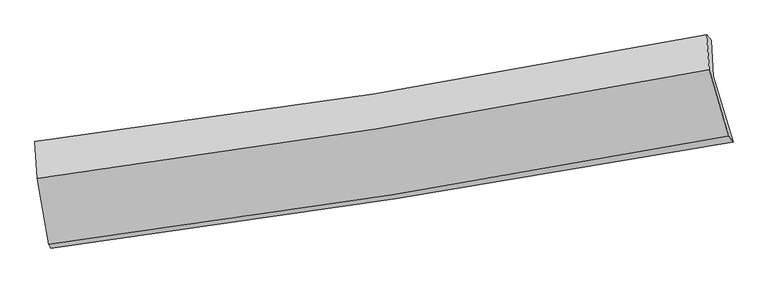
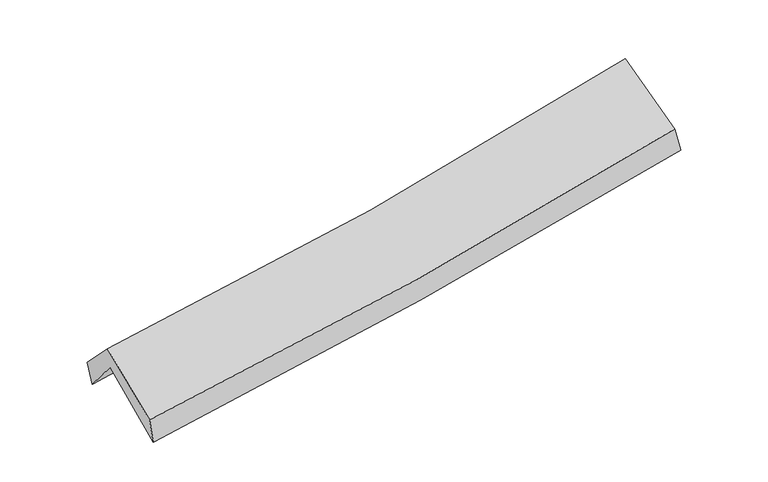
"""IFC4 building model written with IfcOpenShell, lengths in millimetres: proxy geometry."""

from ifc_helpers import new_model, si_unit, frame, origin, place, context, project, spatial, source, transform, mapped, element, save
from ifc_brep_helpers import plane_surface, spline_curve, spline_surface, advanced_brep


def generic_models_16f1275d(model_context):
    return source(origin(), model_context, "Body", "AdvancedBrep", [
        advanced_brep(
        [(-2476.6306692, -2477.684521, 1473.7367407), (-2566.5541531, -1976.0532328, 1902.8783723), (2492.5433742, -1185.3222282, 2359.6302628), (2642.7637638, -1679.5159708, 1927.6807771), (-2578.57545, -1720.2456648, 1591.1274063), (2477.8919343, -914.6438662, 2050.5178617), (-2595.9104184, -1675.146864, 1774.7712805), (2445.0462039, -874.5609098, 2252.2768599), (-2579.7545848, -1954.1831352, 2067.1127175), (2463.4779958, -1135.9481738, 2516.216118), (-2492.6639221, -2449.7956604, 1670.6238429), (2612.0491716, -1636.6335082, 2107.8232929)],
        [
            (0, 1),
            (1, 2, spline_curve(3, [(-2566.5541531, -1976.0532328, 1902.8783723), (-1716.050181703, -1864.59425215, 1963.847273038), (-867.75522831, -1742.706482177, 2032.552799847), (818.580243134, -1478.986098593, 2184.909798403), (1656.651131938, -1337.296867185, 2268.454901637), (2492.5433742, -1185.3222282, 2359.6302628)], [4, 2, 4], [0.0, 8.513095673427554, 16.96746701285062])),
            (2, 3),
            (3, 0, spline_curve(3, [(2642.7637638, -1679.5159708, 1927.6807771), (1797.510977988, -1832.421949813, 1835.038955347), (949.753597722, -1975.193975794, 1750.990454897), (-756.67629842, -2241.391429706, 1599.555982613), (-1615.383729239, -2364.675587128, 1532.289804229), (-2476.6306692, -2477.684521, 1473.7367407)], [4, 2, 4], [0.0, 8.454371339423066, 16.96746701285062])),
            (1, 4),
            (4, 5, spline_curve(3, [(-2578.57545, -1720.2456648, 1591.1274063), (-1728.95535664, -1605.874532304, 1658.650482821), (-881.321510951, -1481.287900276, 1730.843160518), (804.140308879, -1212.613517864, 1884.037513253), (1641.995591161, -1068.666217036, 1964.974987308), (2477.8919343, -914.6438662, 2050.5178617)], [4, 2, 4], [0.0, 8.463276387706408, 16.868172100693595])),
            (5, 2),
            (4, 6),
            (6, 7, spline_curve(3, [(-2595.9104184, -1675.146864, 1774.7712805), (-1746.090475595, -1571.045542276, 1831.982825689), (-899.658576888, -1451.99692886, 1900.557642991), (780.613716147, -1184.929439231, 2059.882399079), (1614.500691517, -1037.116067779, 2150.476108211), (2445.0462039, -874.5609098, 2252.2768599)], [4, 2, 4], [0.0, 8.451940733696203, 16.84557898734617])),
            (7, 5),
            (6, 8),
            (8, 9, spline_curve(3, [(-2579.7545848, -1954.1831352, 2067.1127175), (-1729.462296853, -1843.966163195, 2112.60707487), (-882.604064666, -1720.389359166, 2172.960315051), (798.42624862, -1447.460692434, 2322.865738092), (1632.645543435, -1298.292509094, 2412.213631581), (2463.4779958, -1135.9481738, 2516.216118)], [4, 2, 4], [0.0, 8.44315505692036, 16.828068238424954])),
            (9, 7),
            (8, 10),
            (10, 11, spline_curve(3, [(-2492.6639221, -2449.7956604, 1670.6238429), (-1632.775550826, -2337.244928822, 1718.826394331), (-775.976981744, -2212.930948727, 1779.530170373), (925.551568584, -1941.715169378, 1925.435195332), (1770.324030952, -1794.975098352, 2010.464569224), (2612.0491716, -1636.6335082, 2107.8232929)], [4, 2, 4], [0.0, 8.493270754390823, 16.927953929397543])),
            (11, 9),
            (10, 0),
            (3, 11),
        ],
        [
            spline_surface(3, 3, [[(-2476.6306692, -2477.684521, 1473.7367407), (-1615.383729194, -2364.67558718, 1532.28980417), (-756.676298443, -2241.391429682, 1599.55598257), (949.753597745, -1975.193975819, 1750.99045494), (1797.510977966, -1832.421949917, 1835.03895535), (2642.7637638, -1679.5159708, 1927.6807771)], [(-2506.605163828, -2310.474091601, 1616.783951219), (-1648.939213403, -2197.981808802, 1676.142293819), (-793.702608398, -2075.163113789, 1743.88825502), (906.029146205, -1809.791350108, 1895.630236045), (1750.557695984, -1667.380255678, 1979.510937446), (2592.690300606, -1514.784723268, 2071.663938991)], [(-2536.579658472, -2143.263662199, 1759.831161781), (-1682.494697628, -2031.288030424, 1819.994783512), (-830.72891835, -1908.934797935, 1888.220527508), (862.304694669, -1644.388724437, 2040.270017188), (1703.604413984, -1502.338561435, 2123.982919568), (2542.616837394, -1350.053475732, 2215.647100909)], [(-2566.5541531, -1976.0532328, 1902.8783723), (-1716.050181837, -1864.594252047, 1963.847273161), (-867.755228305, -1742.706482042, 2032.552799958), (818.580243129, -1478.986098727, 2184.909798293), (1656.651132002, -1337.296867197, 2268.454901663), (2492.5433742, -1185.3222282, 2359.6302628)]], [4, 4], [4, 2, 4], [0.0, 2.2008525327517043], [0.0, 8.513095673427554, 16.96746701285062]),
            spline_surface(3, 3, [[(-2566.5541531, -1976.0532328, 1902.8783723), (-1716.050181837, -1864.594252047, 1963.847273161), (-867.755228305, -1742.706482042, 2032.552799958), (818.580243129, -1478.986098727, 2184.909798293), (1656.651132002, -1337.296867197, 2268.454901663), (2492.5433742, -1185.3222282, 2359.6302628)], [(-2570.561252054, -1890.78404346, 1798.96138362), (-1720.351906796, -1778.354345437, 1862.115009739), (-872.277322539, -1655.566954744, 1931.982920188), (813.766931709, -1390.195238472, 2084.619036587), (1651.765951741, -1247.753317191, 2167.294930187), (2487.659560898, -1095.096107544, 2256.592795765)], [(-2574.568351046, -1805.51485414, 1695.04439498), (-1724.653631794, -1692.114438846, 1760.382746358), (-876.79941674, -1568.42742746, 1831.413040393), (808.953620322, -1301.404378231, 1984.328274856), (1646.880771484, -1158.209767154, 2066.134958716), (2482.775747602, -1004.869986856, 2153.555328735)], [(-2578.57545, -1720.2456648, 1591.1274063), (-1728.955356753, -1605.874532236, 1658.650482936), (-881.321510974, -1481.287900162, 1730.843160622), (804.140308902, -1212.613517977, 1884.037513149), (1641.995591223, -1068.666217149, 1964.974987239), (2477.8919343, -914.6438662, 2050.5178617)]], [4, 4], [4, 2, 4], [0.0, 1.3148183669352562], [0.0, 8.463276387706408, 16.868172100693595]),
            spline_surface(3, 3, [[(-2578.57545, -1720.2456648, 1591.1274063), (-1728.955356753, -1605.874532236, 1658.650482936), (-881.321510974, -1481.287900162, 1730.843160622), (804.140308902, -1212.613517977, 1884.037513149), (1641.995591223, -1068.666217149, 1964.974987239), (2477.8919343, -914.6438662, 2050.5178617)], [(-2584.353772824, -1705.212731213, 1652.342031053), (-1734.667063025, -1594.264868907, 1716.427930561), (-887.43386628, -1471.524243112, 1787.414654759), (796.29811133, -1203.385491709, 1942.652475156), (1632.830624691, -1058.149500638, 2026.808694289), (2466.943357494, -901.282880717, 2117.770861118)], [(-2590.132095576, -1690.179797587, 1713.556655747), (-1740.378769225, -1582.65520554, 1774.205378127), (-893.546221604, -1461.760586014, 1843.98614883), (788.455913741, -1194.157465394, 2001.267437097), (1623.665658179, -1047.632784175, 2088.642401285), (2455.994780706, -887.921895283, 2185.023860482)], [(-2595.9104184, -1675.146864, 1774.7712805), (-1746.090475497, -1571.045542211, 1831.982825752), (-899.65857691, -1451.996928964, 1900.557642967), (780.613716169, -1184.929439127, 2059.882399103), (1614.500691647, -1037.116067664, 2150.476108335), (2445.0462039, -874.5609098, 2252.2768599)]], [4, 4], [4, 2, 4], [0.0, 0.5785343059101877], [0.0, 8.451940733696203, 16.84557898734617]),
            spline_surface(3, 3, [[(-2595.9104184, -1675.146864, 1774.7712805), (-1746.090475497, -1571.045542211, 1831.982825752), (-899.65857691, -1451.996928964, 1900.557642967), (780.613716169, -1184.929439127, 2059.882399103), (1614.500691647, -1037.116067664, 2150.476108335), (2445.0462039, -874.5609098, 2252.2768599)], [(-2590.525140514, -1768.158954395, 1872.218426174), (-1740.547749238, -1662.019082521, 1925.524242172), (-893.973739494, -1541.461072359, 1991.358533648), (786.551226971, -1272.439856866, 2147.543512092), (1620.548975542, -1124.174881519, 2237.721949394), (2451.190134538, -961.6899978, 2340.256612568)], [(-2585.139862686, -1861.171044805, 1969.665571826), (-1735.005023037, -1752.992622847, 2019.065658571), (-888.288902056, -1630.925215808, 2082.159424361), (792.488737793, -1359.950274659, 2235.204625113), (1626.597259421, -1211.233695376, 2324.967790551), (2457.334065162, -1048.8190858, 2428.236365332)], [(-2579.7545848, -1954.1831352, 2067.1127175), (-1729.462296778, -1843.966163158, 2112.607074991), (-882.60406464, -1720.389359203, 2172.960315042), (798.426248594, -1447.460692398, 2322.865738101), (1632.645543315, -1298.292509232, 2412.21363161), (2463.4779958, -1135.9481738, 2516.216118)]], [4, 4], [4, 2, 4], [0.0, 1.2383234231498708], [0.0, 8.44315505692036, 16.828068238424954]),
            spline_surface(3, 3, [[(-2579.7545848, -1954.1831352, 2067.1127175), (-1729.462296778, -1843.966163158, 2112.607074991), (-882.60406464, -1720.389359203, 2172.960315042), (798.426248594, -1447.460692398, 2322.865738101), (1632.645543315, -1298.292509232, 2412.21363161), (2463.4779958, -1135.9481738, 2516.216118)], [(-2550.72436389, -2119.387310274, 1934.949759288), (-1697.233381493, -2008.392418357, 1981.346848066), (-847.061703694, -1884.569889094, 2041.816933472), (840.801355332, -1612.212184709, 2190.388890499), (1678.538372507, -1463.853372313, 2278.29727749), (2513.001721058, -1302.843285261, 2380.085176303)], [(-2521.69414301, -2284.591485326, 1802.786801112), (-1665.004466239, -2172.818673535, 1850.086621176), (-811.519342831, -2048.750418934, 1910.673551942), (883.176461986, -1776.963676968, 2057.912042936), (1724.431201726, -1629.414235411, 2144.38092336), (2562.525446342, -1469.738396739, 2243.954234597)], [(-2492.6639221, -2449.7956604, 1670.6238429), (-1632.775550954, -2337.244928734, 1718.826394251), (-775.976981885, -2212.930948825, 1779.530170372), (925.551568723, -1941.71516928, 1925.435195333), (1770.324030918, -1794.975098492, 2010.464569241), (2612.0491716, -1636.6335082, 2107.8232929)]], [4, 4], [4, 2, 4], [0.0, 2.1095406877573915], [0.0, 8.493270754390823, 16.927953929397543]),
            spline_surface(3, 3, [[(-2492.6639221, -2449.7956604, 1670.6238429), (-1632.775550954, -2337.244928734, 1718.826394251), (-775.976981885, -2212.930948825, 1779.530170372), (925.551568723, -1941.71516928, 1925.435195333), (1770.324030918, -1794.975098492, 2010.464569241), (2612.0491716, -1636.6335082, 2107.8232929)], [(-2487.31950449, -2459.091947258, 1604.994808847), (-1626.978277057, -2346.388481541, 1656.647530904), (-769.543420752, -2222.41777578, 1719.538774445), (933.618911716, -1952.874771462, 1867.286948542), (1779.386346606, -1807.45738231, 1951.989364633), (2622.287369006, -1650.92766241, 2047.775787655)], [(-2481.97508681, -2468.388234142, 1539.365774753), (-1621.181003091, -2355.532034373, 1594.468667517), (-763.109859576, -2231.904602727, 1659.547378497), (941.686254752, -1964.034373636, 1809.138701731), (1788.448662278, -1819.939666099, 1893.514159959), (2632.525566394, -1665.22181659, 1987.728282345)], [(-2476.6306692, -2477.684521, 1473.7367407), (-1615.383729194, -2364.67558718, 1532.28980417), (-756.676298443, -2241.391429682, 1599.55598257), (949.753597745, -1975.193975819, 1750.99045494), (1797.510977966, -1832.421949917, 1835.03895535), (2642.7637638, -1679.5159708, 1927.6807771)]], [4, 4], [4, 2, 4], [0.0, 0.5945517057780624], [0.0, 8.551908276989284, 17.04482448607532]),
            plane_surface(frame((2522.2954073, -1237.7707761, 2202.3575287), z_axis=(0.9742139390784751, 0.1906071968310592, 0.120731509646021), x_axis=(0.22409565326647204, -0.7552030634892708, -0.6159947005319881))),
            plane_surface(frame((-2548.3481996, -2042.1848464, 1746.7083934), z_axis=(-0.9903326970864277, -0.12350269524369845, -0.06315246114811605), x_axis=(-0.0803680557145187, 0.13979530693149017, 0.9869134955914822))),
        ],
        [
            (0, [[1, 2, 3, 4]]),
            (1, [[5, 6, 7, -2]]),
            (2, [[8, 9, 10, -6]]),
            (3, [[11, 12, 13, -9]]),
            (4, [[14, 15, 16, -12]]),
            (5, [[17, -4, 18, -15]]),
            (6, [[-16, -18, -3, -7, -10, -13]]),
            (7, [[-17, -14, -11, -8, -5, -1]]),
        ],
    ),
    ])


if __name__ == "__main__":
    model = new_model("IFC4")
    model_context = context("Model", 3, world=origin())
    ifc_project = project(units=[si_unit("LENGTHUNIT", "METRE", prefix="MILLI")], contexts=[model_context])
    site = spatial("IfcSite", under=ifc_project)
    building = spatial("IfcBuilding", under=site)
    placement = place(None, origin())
    generic_models_shape = generic_models_16f1275d(model_context)
    element("IfcBuildingElementProxy", 1, Name="Generic Models", at=placement, inside=building, context=model_context, shape_type="MappedRepresentation", body=[
        mapped(generic_models_shape, transform((0.0, 0.0, 0.0), x_axis=(1.0, 0.0, 0.0), y_axis=(0.0, 1.0, 0.0), z_axis=(0.0, 0.0, 1.0))),
    ])
    save(model, "model.ifc")
